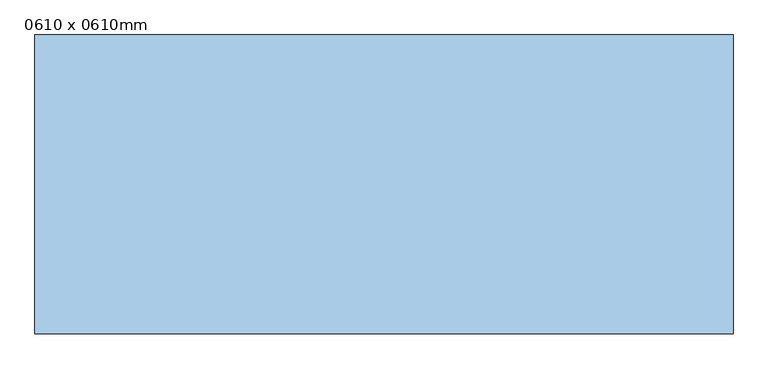
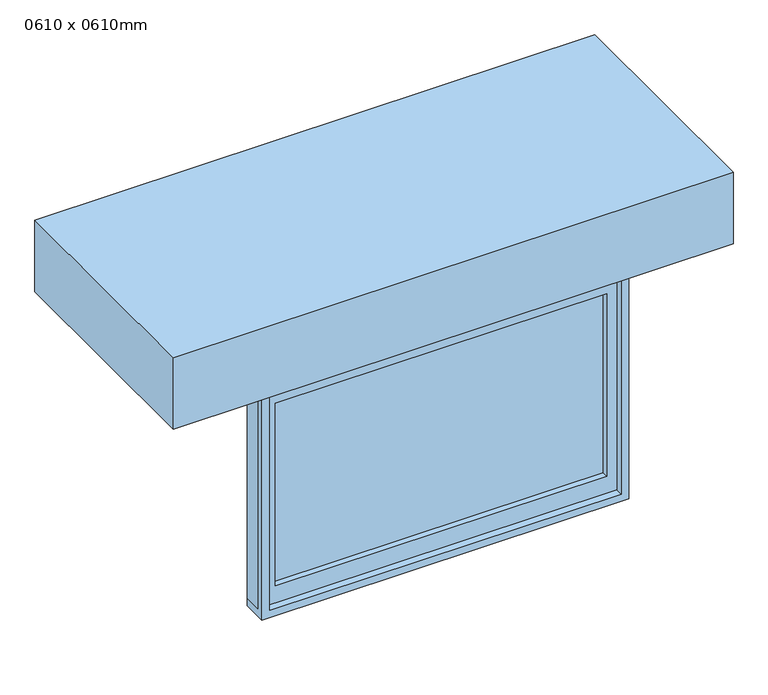
"""IFC4 building model written with IfcOpenShell, lengths in millimetres: window geometry, 0610 x 0610mm."""

from ifc_helpers import new_model, si_unit, frame, origin, place, context, project, spatial, polyline, outline, extrude, source, transform, mapped, element, save


def window_0610_x_0610mm_569ca472(model_context):
    return source(origin(), model_context, "Body", "SweptSolid", [
        extrude(outline(polyline([(375.95, -227.425), (375.95, -240.125), (-452.15, -240.125), (-452.15, -227.425), (375.95, -227.425)])), frame((0.0, 0.0, 2222.5), z_axis=(0.0, 0.0, 1.0), x_axis=(1.0, 0.0, 0.0)), (0.0, 0.0, 1.0), 483.0),
        extrude(outline(polyline([(2749.95, -496.6), (2178.05, -496.6), (2178.05, 420.4), (2749.95, 420.4), (2749.95, -496.6)]), holes=[polyline([(2705.5, -452.15), (2705.5, 375.95), (2222.5, 375.95), (2222.5, -452.15), (2705.5, -452.15)])]), frame((0.0, -256.0, 0.0), z_axis=(0.0, 1.0, 0.0), x_axis=(0.0, 0.0, 1.0)), (0.0, 0.0, 1.0), 44.45),
        extrude(outline(polyline([(2769.0, 420.4), (2769.0, -496.6), (2159.0, -496.6), (2159.0, 420.4), (2769.0, 420.4)]), holes=[polyline([(2749.95, 401.35), (2178.05, 401.35), (2178.05, -477.55), (2749.95, -477.55), (2749.95, 401.35)])]), frame((0.0, -275.0, 0.0), z_axis=(0.0, 1.0, 0.0), x_axis=(0.0, 0.0, 1.0)), (0.0, 0.0, 1.0), 63.45),
        extrude(outline(polyline([(661.9, -308.8), (-738.1, -308.8), (-738.1, 290.0365913), (661.9, 290.0365913), (661.9, -308.8)])), frame((0.0, 0.0, 2769.0), z_axis=(0.0, 0.0, 1.0), x_axis=(1.0, 0.0, 0.0)), (0.0, 0.0, 1.0), 189.05),
    ])


if __name__ == "__main__":
    model = new_model("IFC4")
    model_context = context("Model", 3, world=origin())
    ifc_project = project(units=[si_unit("LENGTHUNIT", "METRE", prefix="MILLI")], contexts=[model_context])
    site = spatial("IfcSite", under=ifc_project)
    building = spatial("IfcBuilding", under=site)
    placement = place(None, origin())
    window_0610_x_0610mm_shape = window_0610_x_0610mm_569ca472(model_context)
    element("IfcWindow", 1, ObjectType="0610 x 0610mm", at=placement, inside=building, context=model_context, shape_type="MappedRepresentation", body=[
        mapped(window_0610_x_0610mm_shape, transform((0.0, 0.0, 0.0), x_axis=(1.0, 0.0, 0.0), y_axis=(0.0, 1.0, 0.0), z_axis=(0.0, 0.0, 1.0))),
    ])
    save(model, "model.ifc")
